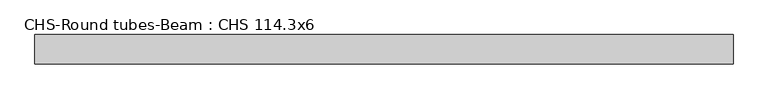
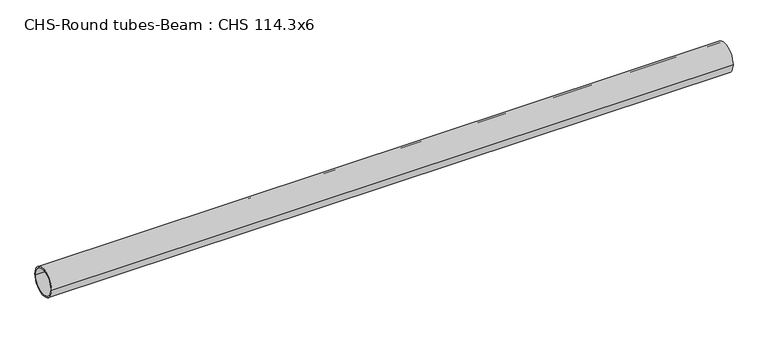
"""IFC4 building model written with IfcOpenShell, lengths in millimetres: beam geometry, CHS-Round tubes-Beam : CHS 114.3x6."""

import ifcopenshell
import ifcopenshell.guid

model = None  # the IFC model being written
_history = None  # IfcOwnerHistory: only IFC2X3 demands one
_inside = {}  # id of a spatial element -> (the spatial element, [elements in it])
_under = {}  # id of a project, library or spatial element -> (it, [spatial elements below it])
_declared = {}  # id of a project -> (the project, [libraries it declares])
_typed = {}  # id of a type object -> (the type object, [elements of that type])
_made_of = {}  # id of a material, layer set ... -> (it, [elements and type objects made of it])


def new_model(schema):
    """Start an empty IFC model of exactly this schema.

    Asked for "IFC4X3", IfcOpenShell would pick the latest addendum, in which some entities
    have other attributes; the version numbers below select the first issue.
    IFC2X3 requires an IfcOwnerHistory on every rooted entity: one is made here for all.
    """
    global model, _history
    if schema == "IFC4X3":
        model = ifcopenshell.file(schema_version=(4, 3, 0, 0))
    else:
        model = ifcopenshell.file(schema=schema)
    _inside.clear()
    _under.clear()
    _declared.clear()
    _typed.clear()
    _made_of.clear()
    _history = None
    if model.schema == "IFC2X3":
        org = make("IfcOrganization", Name="unknown")
        user = make(
            "IfcPersonAndOrganization",
            ThePerson=make("IfcPerson", FamilyName="unknown"),
            TheOrganization=org,
        )
        app = make(
            "IfcApplication",
            ApplicationDeveloper=org,
            Version="unknown",
            ApplicationFullName="unknown",
            ApplicationIdentifier="unknown",
        )
        _history = make(
            "IfcOwnerHistory",
            OwningUser=user,
            OwningApplication=app,
            ChangeAction="ADDED",
            CreationDate=0,
        )
    return model


def make(cls, **values):
    """One entity of the class cls with the attributes given. An attribute that is None is left unset."""
    return model.create_entity(
        cls, **{name: value for name, value in values.items() if value is not None}
    )


def rooted(cls, **values):
    """An entity with a GlobalId (a new one), such as an element, a storey or a relation."""
    return make(cls, GlobalId=ifcopenshell.guid.new(), OwnerHistory=_history, **values)


def si_unit(unit_type, name, prefix=None):
    """IfcSIUnit, for example si_unit("LENGTHUNIT", "METRE", prefix="MILLI")."""
    return make("IfcSIUnit", UnitType=unit_type, Prefix=prefix, Name=name)


def assignment(units):
    """IfcUnitAssignment: the units of a project."""
    return None if units is None else make("IfcUnitAssignment", Units=units)


def point(xyz):
    """IfcCartesianPoint."""
    return None if xyz is None else make("IfcCartesianPoint", Coordinates=xyz)


def direction(xyz):
    """IfcDirection."""
    return None if xyz is None else make("IfcDirection", DirectionRatios=xyz)


def frame(location, z_axis=None, x_axis=None):
    """IfcAxis2Placement3D, a coordinate frame: its origin and axes. An axis left out is left unset."""
    return make(
        "IfcAxis2Placement3D",
        Location=point(location),
        Axis=direction(z_axis),
        RefDirection=direction(x_axis),
    )


def frame_2d(location, x_axis=None):
    """IfcAxis2Placement2D, a coordinate frame in the plane: its origin and x axis."""
    return make(
        "IfcAxis2Placement2D", Location=point(location), RefDirection=direction(x_axis)
    )


def origin():
    """The frame at (0, 0, 0) with its axes left unset."""
    return frame((0.0, 0.0, 0.0))


def origin_2d():
    """The frame at (0, 0) in the plane with its x axis left unset."""
    return frame_2d((0.0, 0.0))


def place(relative_to, where):
    """IfcLocalPlacement: puts the frame where relative to a parent placement (None: the world)."""
    return make(
        "IfcLocalPlacement", PlacementRelTo=relative_to, RelativePlacement=where
    )


def context(
    kind, dimensions, precision=None, world=None, true_north=None, identifier=None
):
    """IfcGeometricRepresentationContext, for example the 3D "Model" context."""
    return make(
        "IfcGeometricRepresentationContext",
        ContextIdentifier=identifier,
        ContextType=kind,
        CoordinateSpaceDimension=dimensions,
        Precision=precision,
        WorldCoordinateSystem=world,
        TrueNorth=true_north,
    )


def project(units=None, contexts=None):
    """IfcProject with its units and contexts."""
    return rooted(
        "IfcProject",
        Name="project",
        RepresentationContexts=contexts,
        UnitsInContext=assignment(units),
    )


def spatial(cls, under=None, at=None, **own):
    """A site, building, storey or space (cls), placed at a placement, below another one or the project."""
    s = rooted(cls, ObjectPlacement=at, **own)
    if under is not None:
        _under.setdefault(under.id(), (under, []))[1].append(s)
    return s


def circle_curve(where, radius):
    """IfcCircle in the frame where."""
    return make("IfcCircle", Position=where, Radius=radius)


def trimmed(basis, trim1, trim2, sense, master):
    """IfcTrimmedCurve: the piece of a basis curve between two trims."""
    return make(
        "IfcTrimmedCurve",
        BasisCurve=basis,
        Trim1=trim1,
        Trim2=trim2,
        SenseAgreement=sense,
        MasterRepresentation=master,
    )


def segment(curve, same_sense, transition):
    """IfcCompositeCurveSegment."""
    return make(
        "IfcCompositeCurveSegment",
        Transition=transition,
        SameSense=same_sense,
        ParentCurve=curve,
    )


def composite_curve(segments, self_intersect=None):
    """IfcCompositeCurve: segments joined end to end."""
    return make("IfcCompositeCurve", Segments=segments, SelfIntersect=self_intersect)


def outline(outer, holes=None, kind="AREA"):
    """IfcArbitraryClosedProfileDef: a profile drawn as a closed curve; with holes, ...WithVoids."""
    if holes is None:
        return make("IfcArbitraryClosedProfileDef", ProfileType=kind, OuterCurve=outer)
    return make(
        "IfcArbitraryProfileDefWithVoids",
        ProfileType=kind,
        OuterCurve=outer,
        InnerCurves=holes,
    )


def extrude(swept, where, along, depth):
    """IfcExtrudedAreaSolid: the profile swept, set in the frame where, extruded along a direction by depth."""
    return make(
        "IfcExtrudedAreaSolid",
        SweptArea=swept,
        Position=where,
        ExtrudedDirection=direction(along),
        Depth=depth,
    )


def shape(context_of_items, identifier, shape_type, items):
    """IfcShapeRepresentation: the items that make up one representation, for example the "Body"."""
    return make(
        "IfcShapeRepresentation",
        ContextOfItems=context_of_items,
        RepresentationIdentifier=identifier,
        RepresentationType=shape_type,
        Items=items,
    )


def source(mapping_origin, context_of_items, identifier, shape_type, items):
    """IfcRepresentationMap: a shape defined once, which mapped items show again and again."""
    return make(
        "IfcRepresentationMap",
        MappingOrigin=mapping_origin,
        MappedRepresentation=shape(context_of_items, identifier, shape_type, items),
    )


def transform(
    local_origin,
    x_axis=None,
    y_axis=None,
    z_axis=None,
    scale=None,
    scale2=None,
    scale3=None,
    uniform=True,
):
    """IfcCartesianTransformationOperator3D, or its non-uniform kind. x_axis, y_axis, z_axis: its Axis1, 2, 3."""
    if uniform:
        return make(
            "IfcCartesianTransformationOperator3D",
            Axis1=direction(x_axis),
            Axis2=direction(y_axis),
            LocalOrigin=point(local_origin),
            Scale=scale,
            Axis3=direction(z_axis),
        )
    return make(
        "IfcCartesianTransformationOperator3DnonUniform",
        Axis1=direction(x_axis),
        Axis2=direction(y_axis),
        LocalOrigin=point(local_origin),
        Scale=scale,
        Axis3=direction(z_axis),
        Scale2=scale2,
        Scale3=scale3,
    )


def mapped(mapping_source, mapping_target):
    """IfcMappedItem: shows the shape of a source again, moved by a transform."""
    return make(
        "IfcMappedItem", MappingSource=mapping_source, MappingTarget=mapping_target
    )


def made_of(thing, what):
    """Note that an element or type object is made of a material, layer set ...; save() writes the relation."""
    if what is not None:
        _made_of.setdefault(what.id(), (what, []))[1].append(thing)
    return thing


def element(
    cls,
    number,
    at=None,
    inside=None,
    cuts=None,
    type_object=None,
    material=None,
    context=None,
    identifier="Body",
    shape_type=None,
    held_by="IfcProductDefinitionShape",
    body=None,
    shapes=None,
    **own,
):
    """One element of the class cls, such as IfcWall. Its Tag is "e" and its number.

    at: its placement. inside: the storey or other place that contains it. cuts: it is an
    opening in that element (IfcRelVoidsElement). A single representation is given by context,
    identifier, shape_type and body (its items); several are given by shapes. held_by: the class
    of the entity that holds the representations. save() writes the other relations.
    """
    e = rooted(cls, Tag="e%d" % number, ObjectPlacement=at, **own)
    if body is not None:
        shapes = [shape(context, identifier, shape_type, body)]
    if shapes is not None:
        e.Representation = make(held_by, Representations=shapes)
    if inside is not None:
        _inside.setdefault(inside.id(), (inside, []))[1].append(e)
    if cuts is not None:
        rooted(
            "IfcRelVoidsElement", RelatingBuildingElement=cuts, RelatedOpeningElement=e
        )
    if type_object is not None:
        _typed.setdefault(type_object.id(), (type_object, []))[1].append(e)
    return made_of(e, material)


def aggregate(whole, parts):
    """IfcRelAggregates: a whole, such as a stair, and the parts it consists of."""
    return rooted("IfcRelAggregates", RelatingObject=whole, RelatedObjects=parts)


def save(model, path):
    """Write the relations noted so far, then the file.

    IfcRelAggregates (storeys below a building ...), IfcRelContainedInSpatialStructure (elements
    in a storey), IfcRelDefinesByType, IfcRelAssociatesMaterial and IfcRelDeclares: one each for
    every whole, place, type object, material and project.
    """
    for whole, parts in _under.values():
        aggregate(whole, parts)
    for where, things in _inside.values():
        rooted(
            "IfcRelContainedInSpatialStructure",
            RelatedElements=things,
            RelatingStructure=where,
        )
    for kind, things in _typed.values():
        rooted("IfcRelDefinesByType", RelatedObjects=things, RelatingType=kind)
    for what, things in _made_of.values():
        rooted("IfcRelAssociatesMaterial", RelatedObjects=things, RelatingMaterial=what)
    for by, libraries in _declared.values():
        rooted("IfcRelDeclares", RelatingContext=by, RelatedDefinitions=libraries)
    model.write(path)


def chs_round_tubes_beam_chs_114_3x6_51e90b5f(model_context):
    return source(origin(), model_context, "Body", "SweptSolid", [
        extrude(outline(composite_curve([segment(trimmed(circle_curve(origin_2d(), 57.15), [point((57.15, 0.0))], [point((-57.15, 0.0))], False, "CARTESIAN"), True, "CONTINUOUS"), segment(trimmed(circle_curve(origin_2d(), 57.15), [point((-57.15, 0.0))], [point((57.15, 0.0))], False, "CARTESIAN"), True, "CONTINUOUS")], self_intersect=False), holes=[composite_curve([segment(trimmed(circle_curve(origin_2d(), 51.15), [point((51.15, 0.0))], [point((-51.15, 0.0))], True, "CARTESIAN"), True, "CONTINUOUS"), segment(trimmed(circle_curve(origin_2d(), 51.15), [point((-51.15, 0.0))], [point((51.15, 0.0))], True, "CARTESIAN"), True, "CONTINUOUS")], self_intersect=False)]), frame((-1312.754064, 0.0, 0.0), z_axis=(1.0, 0.0, 0.0), x_axis=(0.0, 1.0, 0.0)), (0.0, 0.0, 1.0), 2717.0324267),
    ])


if __name__ == "__main__":
    model = new_model("IFC4")
    model_context = context("Model", 3, world=origin())
    ifc_project = project(units=[si_unit("LENGTHUNIT", "METRE", prefix="MILLI")], contexts=[model_context])
    site = spatial("IfcSite", under=ifc_project)
    building = spatial("IfcBuilding", under=site)
    placement = place(None, origin())
    chs_round_tubes_beam_chs_114_3x6_shape = chs_round_tubes_beam_chs_114_3x6_51e90b5f(model_context)
    element("IfcBeam", 1, ObjectType="CHS-Round tubes-Beam : CHS 114.3x6", at=placement, inside=building, context=model_context, shape_type="MappedRepresentation", body=[
        mapped(chs_round_tubes_beam_chs_114_3x6_shape, transform((0.0, 0.0, 0.0), x_axis=(1.0, 0.0, 0.0), y_axis=(0.0, 1.0, 0.0), z_axis=(0.0, 0.0, 1.0))),
    ])
    save(model, "model.ifc")
